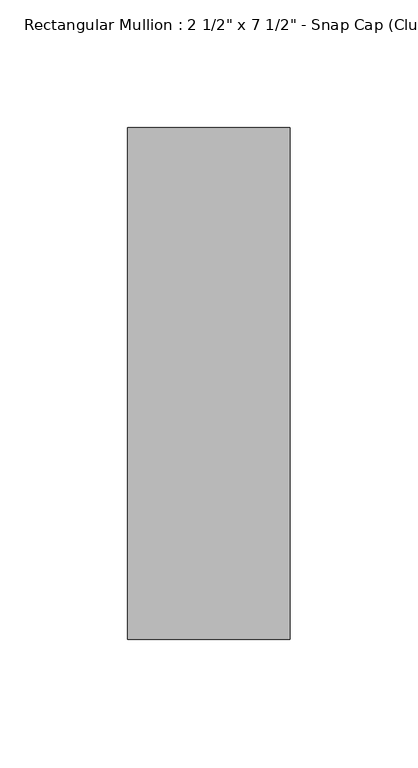
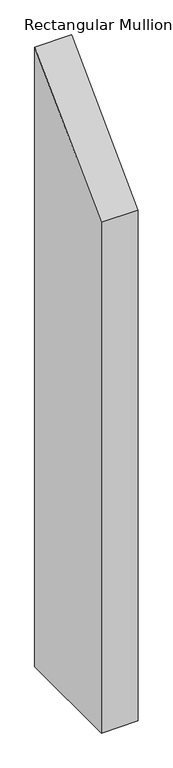
"""IFC4 building model written with IfcOpenShell, lengths in millimetres: member geometry."""

from ifc_helpers import new_model, si_unit, frame, origin, place, context, project, spatial, polyline, outline, extrude, source, transform, mapped, element, save


def member_95042afc(model_context):
    return source(origin(), model_context, "Body", "SweptSolid", [
        extrude(outline(polyline([(-174.2, -174.2), (25.8, 25.8), (25.8, -1109.5992677), (-174.2, -1109.5992677), (-174.2, -174.2)])), frame((-31.75, 0.0, 0.0), z_axis=(1.0, 0.0, 0.0), x_axis=(0.0, 1.0, 0.0)), (0.0, 0.0, 1.0), 63.5),
    ])


if __name__ == "__main__":
    model = new_model("IFC4")
    model_context = context("Model", 3, world=origin())
    ifc_project = project(units=[si_unit("LENGTHUNIT", "METRE", prefix="MILLI")], contexts=[model_context])
    site = spatial("IfcSite", under=ifc_project)
    building = spatial("IfcBuilding", under=site)
    placement = place(None, origin())
    member_shape = member_95042afc(model_context)
    element("IfcMember", 1, ObjectType="Rectangular Mullion : 2 1/2\" x 7 1/2\" - Snap Cap (Club)", at=placement, inside=building, context=model_context, shape_type="MappedRepresentation", body=[
        mapped(member_shape, transform((0.0, 0.0, 0.0), x_axis=(1.0, 0.0, 0.0), y_axis=(0.0, 1.0, 0.0), z_axis=(0.0, 0.0, 1.0))),
    ])
    save(model, "model.ifc")
